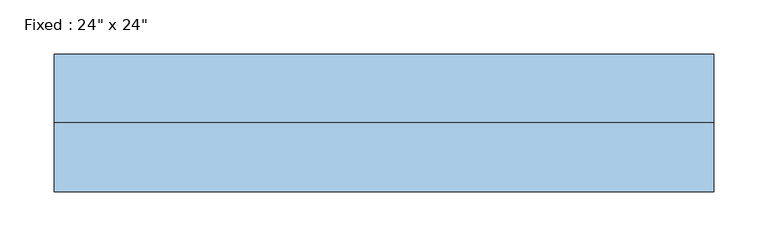
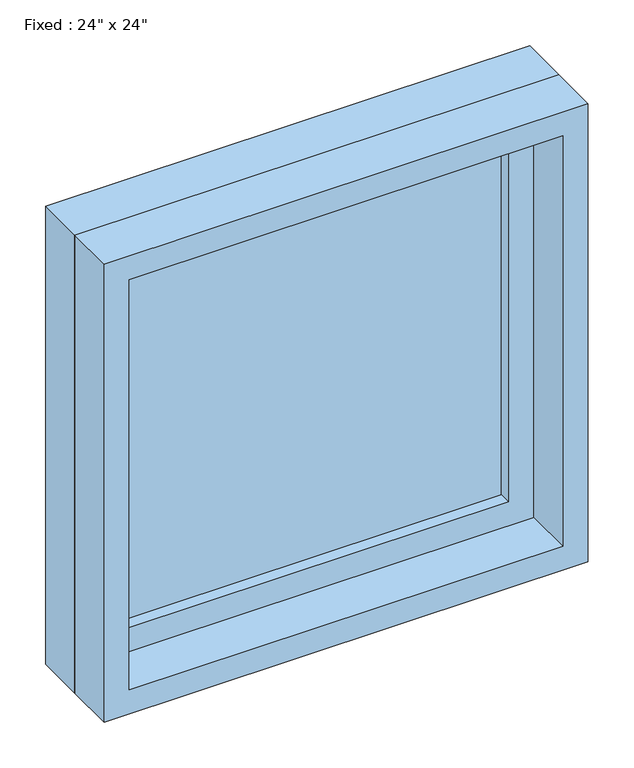
"""IFC4 building model written with IfcOpenShell, lengths in millimetres: window geometry."""

import ifcopenshell
import ifcopenshell.guid

model = None  # the IFC model being written
_history = None  # IfcOwnerHistory: only IFC2X3 demands one
_inside = {}  # id of a spatial element -> (the spatial element, [elements in it])
_under = {}  # id of a project, library or spatial element -> (it, [spatial elements below it])
_declared = {}  # id of a project -> (the project, [libraries it declares])
_typed = {}  # id of a type object -> (the type object, [elements of that type])
_made_of = {}  # id of a material, layer set ... -> (it, [elements and type objects made of it])


def new_model(schema):
    """Start an empty IFC model of exactly this schema.

    Asked for "IFC4X3", IfcOpenShell would pick the latest addendum, in which some entities
    have other attributes; the version numbers below select the first issue.
    IFC2X3 requires an IfcOwnerHistory on every rooted entity: one is made here for all.
    """
    global model, _history
    if schema == "IFC4X3":
        model = ifcopenshell.file(schema_version=(4, 3, 0, 0))
    else:
        model = ifcopenshell.file(schema=schema)
    _inside.clear()
    _under.clear()
    _declared.clear()
    _typed.clear()
    _made_of.clear()
    _history = None
    if model.schema == "IFC2X3":
        org = make("IfcOrganization", Name="unknown")
        user = make(
            "IfcPersonAndOrganization",
            ThePerson=make("IfcPerson", FamilyName="unknown"),
            TheOrganization=org,
        )
        app = make(
            "IfcApplication",
            ApplicationDeveloper=org,
            Version="unknown",
            ApplicationFullName="unknown",
            ApplicationIdentifier="unknown",
        )
        _history = make(
            "IfcOwnerHistory",
            OwningUser=user,
            OwningApplication=app,
            ChangeAction="ADDED",
            CreationDate=0,
        )
    return model


def make(cls, **values):
    """One entity of the class cls with the attributes given. An attribute that is None is left unset."""
    return model.create_entity(
        cls, **{name: value for name, value in values.items() if value is not None}
    )


def rooted(cls, **values):
    """An entity with a GlobalId (a new one), such as an element, a storey or a relation."""
    return make(cls, GlobalId=ifcopenshell.guid.new(), OwnerHistory=_history, **values)


def si_unit(unit_type, name, prefix=None):
    """IfcSIUnit, for example si_unit("LENGTHUNIT", "METRE", prefix="MILLI")."""
    return make("IfcSIUnit", UnitType=unit_type, Prefix=prefix, Name=name)


def assignment(units):
    """IfcUnitAssignment: the units of a project."""
    return None if units is None else make("IfcUnitAssignment", Units=units)


def point(xyz):
    """IfcCartesianPoint."""
    return None if xyz is None else make("IfcCartesianPoint", Coordinates=xyz)


def direction(xyz):
    """IfcDirection."""
    return None if xyz is None else make("IfcDirection", DirectionRatios=xyz)


def frame(location, z_axis=None, x_axis=None):
    """IfcAxis2Placement3D, a coordinate frame: its origin and axes. An axis left out is left unset."""
    return make(
        "IfcAxis2Placement3D",
        Location=point(location),
        Axis=direction(z_axis),
        RefDirection=direction(x_axis),
    )


def origin():
    """The frame at (0, 0, 0) with its axes left unset."""
    return frame((0.0, 0.0, 0.0))


def place(relative_to, where):
    """IfcLocalPlacement: puts the frame where relative to a parent placement (None: the world)."""
    return make(
        "IfcLocalPlacement", PlacementRelTo=relative_to, RelativePlacement=where
    )


def context(
    kind, dimensions, precision=None, world=None, true_north=None, identifier=None
):
    """IfcGeometricRepresentationContext, for example the 3D "Model" context."""
    return make(
        "IfcGeometricRepresentationContext",
        ContextIdentifier=identifier,
        ContextType=kind,
        CoordinateSpaceDimension=dimensions,
        Precision=precision,
        WorldCoordinateSystem=world,
        TrueNorth=true_north,
    )


def project(units=None, contexts=None):
    """IfcProject with its units and contexts."""
    return rooted(
        "IfcProject",
        Name="project",
        RepresentationContexts=contexts,
        UnitsInContext=assignment(units),
    )


def spatial(cls, under=None, at=None, **own):
    """A site, building, storey or space (cls), placed at a placement, below another one or the project."""
    s = rooted(cls, ObjectPlacement=at, **own)
    if under is not None:
        _under.setdefault(under.id(), (under, []))[1].append(s)
    return s


def polyline(points):
    """IfcPolyline through the points."""
    return make("IfcPolyline", Points=[point(p) for p in points])


def outline(outer, holes=None, kind="AREA"):
    """IfcArbitraryClosedProfileDef: a profile drawn as a closed curve; with holes, ...WithVoids."""
    if holes is None:
        return make("IfcArbitraryClosedProfileDef", ProfileType=kind, OuterCurve=outer)
    return make(
        "IfcArbitraryProfileDefWithVoids",
        ProfileType=kind,
        OuterCurve=outer,
        InnerCurves=holes,
    )


def extrude(swept, where, along, depth):
    """IfcExtrudedAreaSolid: the profile swept, set in the frame where, extruded along a direction by depth."""
    return make(
        "IfcExtrudedAreaSolid",
        SweptArea=swept,
        Position=where,
        ExtrudedDirection=direction(along),
        Depth=depth,
    )


def shape(context_of_items, identifier, shape_type, items):
    """IfcShapeRepresentation: the items that make up one representation, for example the "Body"."""
    return make(
        "IfcShapeRepresentation",
        ContextOfItems=context_of_items,
        RepresentationIdentifier=identifier,
        RepresentationType=shape_type,
        Items=items,
    )


def source(mapping_origin, context_of_items, identifier, shape_type, items):
    """IfcRepresentationMap: a shape defined once, which mapped items show again and again."""
    return make(
        "IfcRepresentationMap",
        MappingOrigin=mapping_origin,
        MappedRepresentation=shape(context_of_items, identifier, shape_type, items),
    )


def transform(
    local_origin,
    x_axis=None,
    y_axis=None,
    z_axis=None,
    scale=None,
    scale2=None,
    scale3=None,
    uniform=True,
):
    """IfcCartesianTransformationOperator3D, or its non-uniform kind. x_axis, y_axis, z_axis: its Axis1, 2, 3."""
    if uniform:
        return make(
            "IfcCartesianTransformationOperator3D",
            Axis1=direction(x_axis),
            Axis2=direction(y_axis),
            LocalOrigin=point(local_origin),
            Scale=scale,
            Axis3=direction(z_axis),
        )
    return make(
        "IfcCartesianTransformationOperator3DnonUniform",
        Axis1=direction(x_axis),
        Axis2=direction(y_axis),
        LocalOrigin=point(local_origin),
        Scale=scale,
        Axis3=direction(z_axis),
        Scale2=scale2,
        Scale3=scale3,
    )


def mapped(mapping_source, mapping_target):
    """IfcMappedItem: shows the shape of a source again, moved by a transform."""
    return make(
        "IfcMappedItem", MappingSource=mapping_source, MappingTarget=mapping_target
    )


def made_of(thing, what):
    """Note that an element or type object is made of a material, layer set ...; save() writes the relation."""
    if what is not None:
        _made_of.setdefault(what.id(), (what, []))[1].append(thing)
    return thing


def element(
    cls,
    number,
    at=None,
    inside=None,
    cuts=None,
    type_object=None,
    material=None,
    context=None,
    identifier="Body",
    shape_type=None,
    held_by="IfcProductDefinitionShape",
    body=None,
    shapes=None,
    **own,
):
    """One element of the class cls, such as IfcWall. Its Tag is "e" and its number.

    at: its placement. inside: the storey or other place that contains it. cuts: it is an
    opening in that element (IfcRelVoidsElement). A single representation is given by context,
    identifier, shape_type and body (its items); several are given by shapes. held_by: the class
    of the entity that holds the representations. save() writes the other relations.
    """
    e = rooted(cls, Tag="e%d" % number, ObjectPlacement=at, **own)
    if body is not None:
        shapes = [shape(context, identifier, shape_type, body)]
    if shapes is not None:
        e.Representation = make(held_by, Representations=shapes)
    if inside is not None:
        _inside.setdefault(inside.id(), (inside, []))[1].append(e)
    if cuts is not None:
        rooted(
            "IfcRelVoidsElement", RelatingBuildingElement=cuts, RelatedOpeningElement=e
        )
    if type_object is not None:
        _typed.setdefault(type_object.id(), (type_object, []))[1].append(e)
    return made_of(e, material)


def aggregate(whole, parts):
    """IfcRelAggregates: a whole, such as a stair, and the parts it consists of."""
    return rooted("IfcRelAggregates", RelatingObject=whole, RelatedObjects=parts)


def save(model, path):
    """Write the relations noted so far, then the file.

    IfcRelAggregates (storeys below a building ...), IfcRelContainedInSpatialStructure (elements
    in a storey), IfcRelDefinesByType, IfcRelAssociatesMaterial and IfcRelDeclares: one each for
    every whole, place, type object, material and project.
    """
    for whole, parts in _under.values():
        aggregate(whole, parts)
    for where, things in _inside.values():
        rooted(
            "IfcRelContainedInSpatialStructure",
            RelatedElements=things,
            RelatingStructure=where,
        )
    for kind, things in _typed.values():
        rooted("IfcRelDefinesByType", RelatedObjects=things, RelatingType=kind)
    for what, things in _made_of.values():
        rooted("IfcRelAssociatesMaterial", RelatedObjects=things, RelatingMaterial=what)
    for by, libraries in _declared.values():
        rooted("IfcRelDeclares", RelatingContext=by, RelatedDefinitions=libraries)
    model.write(path)


def window_d757e824(model_context):
    return source(origin(), model_context, "Body", "SweptSolid", [
        extrude(outline(polyline([(203.2, 15.875), (-279.4, 15.875), (-279.4, 28.575), (203.2, 28.575), (203.2, 15.875)])), frame((0.0, 0.0, 977.9), z_axis=(0.0, 0.0, 1.0), x_axis=(1.0, 0.0, 0.0)), (0.0, 0.0, 1.0), 482.6),
        extrude(outline(polyline([(1504.95, -323.85), (933.45, -323.85), (933.45, 247.65), (1504.95, 247.65), (1504.95, -323.85)]), holes=[polyline([(1460.5, -279.4), (1460.5, 203.2), (977.9, 203.2), (977.9, -279.4), (1460.5, -279.4)])]), frame((0.0, 0.0, 0.0), z_axis=(0.0, 1.0, 0.0), x_axis=(0.0, 0.0, 1.0)), (0.0, 0.0, 1.0), 44.45),
        extrude(outline(polyline([(1524.0, -342.9), (914.4, -342.9), (914.4, 266.7), (1524.0, 266.7), (1524.0, -342.9)]), holes=[polyline([(1492.25, -311.15), (1492.25, 234.95), (946.15, 234.95), (946.15, -311.15), (1492.25, -311.15)])]), frame((0.0, -63.5, 0.0), z_axis=(0.0, 1.0, 0.0), x_axis=(0.0, 0.0, 1.0)), (0.0, 0.0, 1.0), 63.5),
        extrude(outline(polyline([(1524.0, 266.7), (1524.0, -342.9), (914.4, -342.9), (914.4, 266.7), (1524.0, 266.7)]), holes=[polyline([(1504.95, 247.65), (933.45, 247.65), (933.45, -323.85), (1504.95, -323.85), (1504.95, 247.65)])]), frame((0.0, 0.0, 0.0), z_axis=(0.0, 1.0, 0.0), x_axis=(0.0, 0.0, 1.0)), (0.0, 0.0, 1.0), 63.5),
    ])


if __name__ == "__main__":
    model = new_model("IFC4")
    model_context = context("Model", 3, world=origin())
    ifc_project = project(units=[si_unit("LENGTHUNIT", "METRE", prefix="MILLI")], contexts=[model_context])
    site = spatial("IfcSite", under=ifc_project)
    building = spatial("IfcBuilding", under=site)
    placement = place(None, origin())
    window_shape = window_d757e824(model_context)
    element("IfcWindow", 1, ObjectType="Fixed : 24\" x 24\"", at=placement, inside=building, context=model_context, shape_type="MappedRepresentation", body=[
        mapped(window_shape, transform((0.0, 0.0, 0.0), x_axis=(1.0, 0.0, 0.0), y_axis=(0.0, 1.0, 0.0), z_axis=(0.0, 0.0, 1.0))),
    ])
    save(model, "model.ifc")
